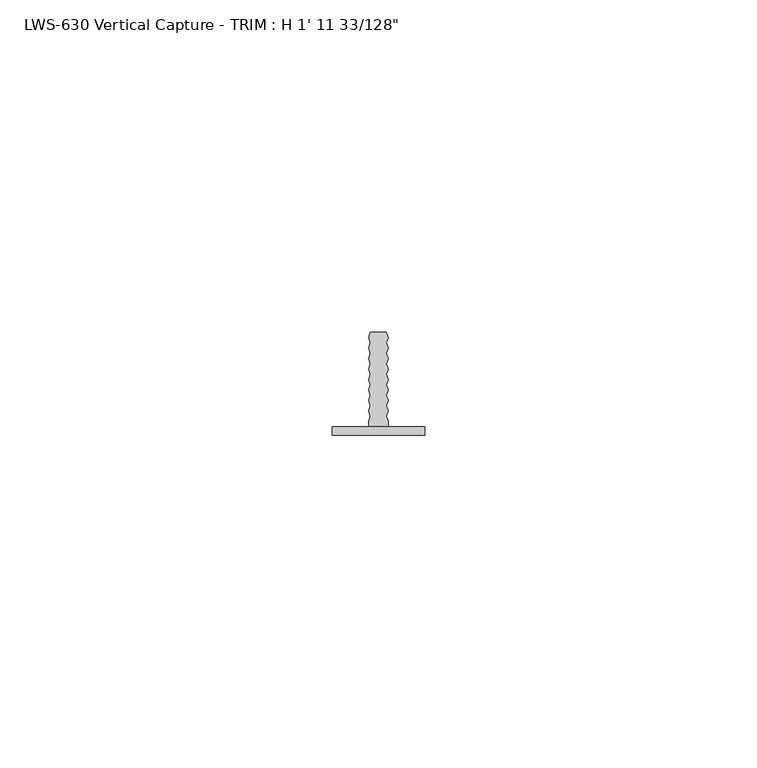
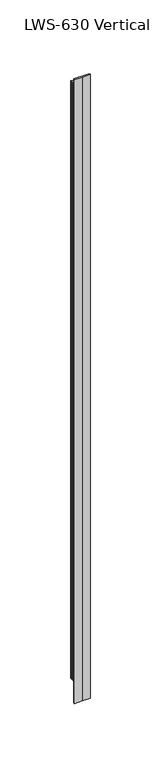
"""IFC4 building model written with IfcOpenShell, lengths in millimetres: proxy geometry."""

from ifc_helpers import new_model, si_unit, origin, place, context, project, spatial, faceted_brep, source, transform, mapped, element, save


def proxy_e5763ff7(model_context):
    return source(origin(), model_context, "Body", "Brep", [
        faceted_brep([(13.97, 1.27, 590.7484375), (0.0, 1.27, 590.7484375), (0.0, 0.0, 590.7484375), (6.985, 0.0, 590.7484375), (13.97, 0.0, 590.7484375), (0.0, 1.27, 0.0), (13.97, 1.27, 0.0), (13.97, 0.0, 0.0), (6.985, 0.0, 0.0), (0.0, 0.0, 0.0), (5.7785, 15.5575, 578.0484375), (5.7785, 15.5575, 12.7), (5.5063304, 14.719848, 12.7), (5.5063304, 14.719848, 578.0484375), (5.7603304, 13.9227961, 12.7), (5.7603304, 13.9227961, 578.0484375), (5.5063304, 13.1410645, 12.7), (5.5063304, 13.1410645, 578.0484375), (5.7603304, 12.3440126, 12.7), (5.7603304, 12.3440126, 578.0484375), (5.5063304, 11.5622809, 12.7), (5.5063304, 11.5622809, 578.0484375), (5.7603304, 10.765229, 12.7), (5.7603304, 10.765229, 578.0484375), (5.5063304, 9.9834974, 12.7), (5.5063304, 9.9834974, 578.0484375), (5.7603304, 9.1864455, 12.7), (5.7603304, 9.1864455, 578.0484375), (5.5063304, 8.4047139, 12.7), (5.5063304, 8.4047139, 578.0484375), (5.7603304, 7.6076619, 12.7), (5.7603304, 7.6076619, 578.0484375), (5.5063304, 6.8259303, 12.7), (5.5063304, 6.8259303, 578.0484375), (5.7603304, 6.0288784, 12.7), (5.7603304, 6.0288784, 578.0484375), (5.5063304, 5.2471468, 12.7), (5.5063304, 5.2471468, 578.0484375), (5.7603304, 4.4500949, 12.7), (5.7603304, 4.4500949, 578.0484375), (5.5063304, 3.6683632, 12.7), (5.5063304, 3.6683632, 578.0484375), (5.7603304, 2.8713113, 12.7), (5.7603304, 2.8713113, 578.0484375), (5.5063304, 2.0895797, 12.7), (5.5063304, 2.0895797, 578.0484375), (5.5063304, 1.27, 12.7), (5.5063304, 1.27, 578.0484375), (8.4455, 1.27, 12.7), (8.4455, 1.27, 578.0484375), (8.4455, 2.0895797, 12.7), (8.4455, 2.0895797, 578.0484375), (8.1915, 2.8713113, 12.7), (8.1915, 2.8713113, 578.0484375), (8.4455, 3.6683632, 12.7), (8.4455, 3.6683632, 578.0484375), (8.1915, 4.4500949, 12.7), (8.1915, 4.4500949, 578.0484375), (8.4455, 5.2471468, 12.7), (8.4455, 5.2471468, 578.0484375), (8.1915, 6.0288784, 12.7), (8.1915, 6.0288784, 578.0484375), (8.4455, 6.8259303, 12.7), (8.4455, 6.8259303, 578.0484375), (8.1915, 7.6076619, 12.7), (8.1915, 7.6076619, 578.0484375), (8.4455, 8.4047139, 12.7), (8.4455, 8.4047139, 578.0484375), (8.1915, 9.1864455, 12.7), (8.1915, 9.1864455, 578.0484375), (8.4455, 9.9834974, 12.7), (8.4455, 9.9834974, 578.0484375), (8.1915, 10.765229, 12.7), (8.1915, 10.765229, 578.0484375), (8.4455, 11.5622809, 12.7), (8.4455, 11.5622809, 578.0484375), (8.1915, 12.3440126, 12.7), (8.1915, 12.3440126, 578.0484375), (8.4455, 13.1410645, 12.7), (8.4455, 13.1410645, 578.0484375), (8.1915, 13.9227961, 12.7), (8.1915, 13.9227961, 578.0484375), (8.4455, 14.719848, 12.7), (8.4455, 14.719848, 578.0484375), (8.1733304, 15.5575, 12.7), (8.1733304, 15.5575, 578.0484375)], [[[0, 1, 2, 3, 4]], [[5, 6, 7, 8, 9]], [[10, 11, 12, 13]], [[13, 12, 14, 15]], [[15, 14, 16, 17]], [[17, 16, 18, 19]], [[19, 18, 20, 21]], [[21, 20, 22, 23]], [[23, 22, 24, 25]], [[25, 24, 26, 27]], [[27, 26, 28, 29]], [[29, 28, 30, 31]], [[31, 30, 32, 33]], [[33, 32, 34, 35]], [[35, 34, 36, 37]], [[37, 36, 38, 39]], [[39, 38, 40, 41]], [[41, 40, 42, 43]], [[43, 42, 44, 45]], [[45, 44, 46, 47]], [[5, 1, 0, 6], [46, 48, 49, 47]], [[2, 1, 5, 9]], [[3, 2, 9, 8]], [[4, 3, 8, 7]], [[0, 4, 7, 6]], [[49, 48, 50, 51]], [[51, 50, 52, 53]], [[53, 52, 54, 55]], [[55, 54, 56, 57]], [[57, 56, 58, 59]], [[59, 58, 60, 61]], [[61, 60, 62, 63]], [[63, 62, 64, 65]], [[65, 64, 66, 67]], [[67, 66, 68, 69]], [[69, 68, 70, 71]], [[71, 70, 72, 73]], [[73, 72, 74, 75]], [[75, 74, 76, 77]], [[77, 76, 78, 79]], [[79, 78, 80, 81]], [[81, 80, 82, 83]], [[83, 82, 84, 85]], [[11, 10, 85, 84]], [[47, 49, 51, 53, 55, 57, 59, 61, 63, 65, 67, 69, 71, 73, 75, 77, 79, 81, 83, 85, 10, 13, 15, 17, 19, 21, 23, 25, 27, 29, 31, 33, 35, 37, 39, 41, 43, 45]], [[48, 46, 44, 42, 40, 38, 36, 34, 32, 30, 28, 26, 24, 22, 20, 18, 16, 14, 12, 11, 84, 82, 80, 78, 76, 74, 72, 70, 68, 66, 64, 62, 60, 58, 56, 54, 52, 50]]]),
    ])


if __name__ == "__main__":
    model = new_model("IFC4")
    model_context = context("Model", 3, world=origin())
    ifc_project = project(units=[si_unit("LENGTHUNIT", "METRE", prefix="MILLI")], contexts=[model_context])
    site = spatial("IfcSite", under=ifc_project)
    building = spatial("IfcBuilding", under=site)
    placement = place(None, origin())
    proxy_shape = proxy_e5763ff7(model_context)
    element("IfcBuildingElementProxy", 1, Name="LWS-630 Vertical Capture - TRIM : H 1' 11 33/128\"", ObjectType="LWS-630 Vertical Capture - TRIM : H 1' 11 33/128\"", at=placement, inside=building, context=model_context, shape_type="MappedRepresentation", body=[
        mapped(proxy_shape, transform((0.0, 0.0, 0.0), x_axis=(1.0, 0.0, 0.0), y_axis=(0.0, 1.0, 0.0), z_axis=(0.0, 0.0, 1.0))),
    ])
    save(model, "model.ifc")
